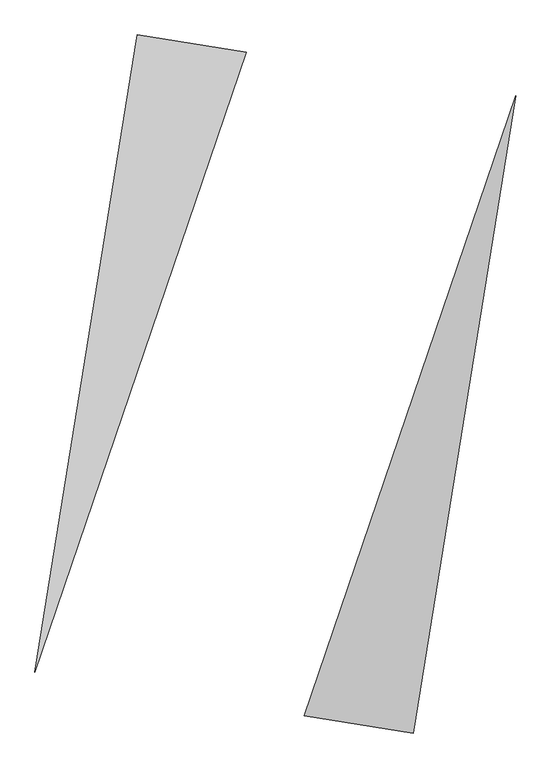
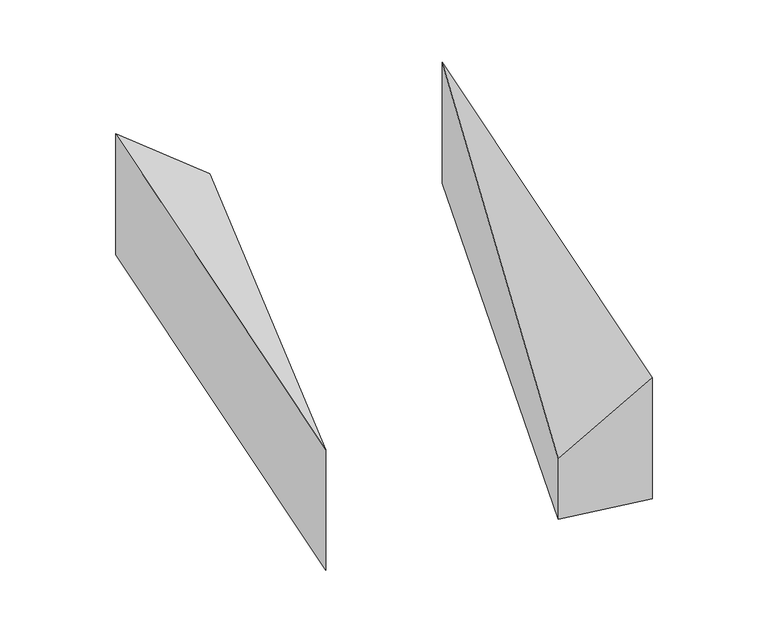
"""IFC4 building model written with IfcOpenShell, lengths in millimetres: proxy geometry."""

import ifcopenshell
import ifcopenshell.guid

model = None  # the IFC model being written
_history = None  # IfcOwnerHistory: only IFC2X3 demands one
_inside = {}  # id of a spatial element -> (the spatial element, [elements in it])
_under = {}  # id of a project, library or spatial element -> (it, [spatial elements below it])
_declared = {}  # id of a project -> (the project, [libraries it declares])
_typed = {}  # id of a type object -> (the type object, [elements of that type])
_made_of = {}  # id of a material, layer set ... -> (it, [elements and type objects made of it])


def new_model(schema):
    """Start an empty IFC model of exactly this schema.

    Asked for "IFC4X3", IfcOpenShell would pick the latest addendum, in which some entities
    have other attributes; the version numbers below select the first issue.
    IFC2X3 requires an IfcOwnerHistory on every rooted entity: one is made here for all.
    """
    global model, _history
    if schema == "IFC4X3":
        model = ifcopenshell.file(schema_version=(4, 3, 0, 0))
    else:
        model = ifcopenshell.file(schema=schema)
    _inside.clear()
    _under.clear()
    _declared.clear()
    _typed.clear()
    _made_of.clear()
    _history = None
    if model.schema == "IFC2X3":
        org = make("IfcOrganization", Name="unknown")
        user = make(
            "IfcPersonAndOrganization",
            ThePerson=make("IfcPerson", FamilyName="unknown"),
            TheOrganization=org,
        )
        app = make(
            "IfcApplication",
            ApplicationDeveloper=org,
            Version="unknown",
            ApplicationFullName="unknown",
            ApplicationIdentifier="unknown",
        )
        _history = make(
            "IfcOwnerHistory",
            OwningUser=user,
            OwningApplication=app,
            ChangeAction="ADDED",
            CreationDate=0,
        )
    return model


def make(cls, **values):
    """One entity of the class cls with the attributes given. An attribute that is None is left unset."""
    return model.create_entity(
        cls, **{name: value for name, value in values.items() if value is not None}
    )


def rooted(cls, **values):
    """An entity with a GlobalId (a new one), such as an element, a storey or a relation."""
    return make(cls, GlobalId=ifcopenshell.guid.new(), OwnerHistory=_history, **values)


def si_unit(unit_type, name, prefix=None):
    """IfcSIUnit, for example si_unit("LENGTHUNIT", "METRE", prefix="MILLI")."""
    return make("IfcSIUnit", UnitType=unit_type, Prefix=prefix, Name=name)


def assignment(units):
    """IfcUnitAssignment: the units of a project."""
    return None if units is None else make("IfcUnitAssignment", Units=units)


def point(xyz):
    """IfcCartesianPoint."""
    return None if xyz is None else make("IfcCartesianPoint", Coordinates=xyz)


def direction(xyz):
    """IfcDirection."""
    return None if xyz is None else make("IfcDirection", DirectionRatios=xyz)


def frame(location, z_axis=None, x_axis=None):
    """IfcAxis2Placement3D, a coordinate frame: its origin and axes. An axis left out is left unset."""
    return make(
        "IfcAxis2Placement3D",
        Location=point(location),
        Axis=direction(z_axis),
        RefDirection=direction(x_axis),
    )


def origin():
    """The frame at (0, 0, 0) with its axes left unset."""
    return frame((0.0, 0.0, 0.0))


def place(relative_to, where):
    """IfcLocalPlacement: puts the frame where relative to a parent placement (None: the world)."""
    return make(
        "IfcLocalPlacement", PlacementRelTo=relative_to, RelativePlacement=where
    )


def context(
    kind, dimensions, precision=None, world=None, true_north=None, identifier=None
):
    """IfcGeometricRepresentationContext, for example the 3D "Model" context."""
    return make(
        "IfcGeometricRepresentationContext",
        ContextIdentifier=identifier,
        ContextType=kind,
        CoordinateSpaceDimension=dimensions,
        Precision=precision,
        WorldCoordinateSystem=world,
        TrueNorth=true_north,
    )


def project(units=None, contexts=None):
    """IfcProject with its units and contexts."""
    return rooted(
        "IfcProject",
        Name="project",
        RepresentationContexts=contexts,
        UnitsInContext=assignment(units),
    )


def spatial(cls, under=None, at=None, **own):
    """A site, building, storey or space (cls), placed at a placement, below another one or the project."""
    s = rooted(cls, ObjectPlacement=at, **own)
    if under is not None:
        _under.setdefault(under.id(), (under, []))[1].append(s)
    return s


def faces_of(points, faces, orient=None, outer=None):
    """IfcFace entities. A face is a list of loops; a loop is a list of indices into points, from 0.

    orient and outer hold one flag for each loop. By default every Orientation is true, the
    first loop of a face is its IfcFaceOuterBound and the others are IfcFaceBound.
    """
    made = []
    for i, loops in enumerate(faces):
        bounds = []
        for j, loop in enumerate(loops):
            is_outer = j == 0 if outer is None else outer[i][j]
            bounds.append(
                make(
                    "IfcFaceOuterBound" if is_outer else "IfcFaceBound",
                    Bound=make("IfcPolyLoop", Polygon=[points[k] for k in loop]),
                    Orientation=True if orient is None else orient[i][j],
                )
            )
        made.append(make("IfcFace", Bounds=bounds))
    return made


def faceted_brep(points, faces, orient=None, outer=None, voids=None):
    """IfcFacetedBrep: a solid bounded by flat faces; with voids (closed shells), ...WithVoids."""
    shared = [point(p) for p in points]
    hull = make("IfcClosedShell", CfsFaces=faces_of(shared, faces, orient, outer))
    if voids is None:
        return make("IfcFacetedBrep", Outer=hull)
    return make(
        "IfcFacetedBrepWithVoids",
        Outer=hull,
        Voids=[
            make(cls, CfsFaces=faces_of(shared, fs, o, b)) for cls, fs, o, b in voids
        ],
    )


def shape(context_of_items, identifier, shape_type, items):
    """IfcShapeRepresentation: the items that make up one representation, for example the "Body"."""
    return make(
        "IfcShapeRepresentation",
        ContextOfItems=context_of_items,
        RepresentationIdentifier=identifier,
        RepresentationType=shape_type,
        Items=items,
    )


def source(mapping_origin, context_of_items, identifier, shape_type, items):
    """IfcRepresentationMap: a shape defined once, which mapped items show again and again."""
    return make(
        "IfcRepresentationMap",
        MappingOrigin=mapping_origin,
        MappedRepresentation=shape(context_of_items, identifier, shape_type, items),
    )


def transform(
    local_origin,
    x_axis=None,
    y_axis=None,
    z_axis=None,
    scale=None,
    scale2=None,
    scale3=None,
    uniform=True,
):
    """IfcCartesianTransformationOperator3D, or its non-uniform kind. x_axis, y_axis, z_axis: its Axis1, 2, 3."""
    if uniform:
        return make(
            "IfcCartesianTransformationOperator3D",
            Axis1=direction(x_axis),
            Axis2=direction(y_axis),
            LocalOrigin=point(local_origin),
            Scale=scale,
            Axis3=direction(z_axis),
        )
    return make(
        "IfcCartesianTransformationOperator3DnonUniform",
        Axis1=direction(x_axis),
        Axis2=direction(y_axis),
        LocalOrigin=point(local_origin),
        Scale=scale,
        Axis3=direction(z_axis),
        Scale2=scale2,
        Scale3=scale3,
    )


def mapped(mapping_source, mapping_target):
    """IfcMappedItem: shows the shape of a source again, moved by a transform."""
    return make(
        "IfcMappedItem", MappingSource=mapping_source, MappingTarget=mapping_target
    )


def made_of(thing, what):
    """Note that an element or type object is made of a material, layer set ...; save() writes the relation."""
    if what is not None:
        _made_of.setdefault(what.id(), (what, []))[1].append(thing)
    return thing


def element(
    cls,
    number,
    at=None,
    inside=None,
    cuts=None,
    type_object=None,
    material=None,
    context=None,
    identifier="Body",
    shape_type=None,
    held_by="IfcProductDefinitionShape",
    body=None,
    shapes=None,
    **own,
):
    """One element of the class cls, such as IfcWall. Its Tag is "e" and its number.

    at: its placement. inside: the storey or other place that contains it. cuts: it is an
    opening in that element (IfcRelVoidsElement). A single representation is given by context,
    identifier, shape_type and body (its items); several are given by shapes. held_by: the class
    of the entity that holds the representations. save() writes the other relations.
    """
    e = rooted(cls, Tag="e%d" % number, ObjectPlacement=at, **own)
    if body is not None:
        shapes = [shape(context, identifier, shape_type, body)]
    if shapes is not None:
        e.Representation = make(held_by, Representations=shapes)
    if inside is not None:
        _inside.setdefault(inside.id(), (inside, []))[1].append(e)
    if cuts is not None:
        rooted(
            "IfcRelVoidsElement", RelatingBuildingElement=cuts, RelatedOpeningElement=e
        )
    if type_object is not None:
        _typed.setdefault(type_object.id(), (type_object, []))[1].append(e)
    return made_of(e, material)


def aggregate(whole, parts):
    """IfcRelAggregates: a whole, such as a stair, and the parts it consists of."""
    return rooted("IfcRelAggregates", RelatingObject=whole, RelatedObjects=parts)


def save(model, path):
    """Write the relations noted so far, then the file.

    IfcRelAggregates (storeys below a building ...), IfcRelContainedInSpatialStructure (elements
    in a storey), IfcRelDefinesByType, IfcRelAssociatesMaterial and IfcRelDeclares: one each for
    every whole, place, type object, material and project.
    """
    for whole, parts in _under.values():
        aggregate(whole, parts)
    for where, things in _inside.values():
        rooted(
            "IfcRelContainedInSpatialStructure",
            RelatedElements=things,
            RelatingStructure=where,
        )
    for kind, things in _typed.values():
        rooted("IfcRelDefinesByType", RelatedObjects=things, RelatingType=kind)
    for what, things in _made_of.values():
        rooted("IfcRelAssociatesMaterial", RelatedObjects=things, RelatingMaterial=what)
    for by, libraries in _declared.values():
        rooted("IfcRelDeclares", RelatingContext=by, RelatedDefinitions=libraries)
    model.write(path)


def generic_models_72ba1f02(model_context):
    return source(origin(), model_context, "Body", "Brep", [
        faceted_brep([(-180.9466343, 2054.5282769, 0.0), (-856.0170022, 2162.7277087, 0.0), (-856.0170022, 2162.7277087, 1000.0), (-180.9466343, 2054.5282769, 500.0), (-1489.0524341, -1786.862921, 0.0), (-1489.0524341, -1786.862921, 1000.0)], [[[0, 1, 2, 3]], [[1, 4, 5, 2]], [[4, 0, 3, 5]], [[3, 2, 5]], [[0, 4, 1]]]),
        faceted_brep([(856.0170022, -2162.7277087, 0.0), (1489.0524341, 1786.862921, 0.0), (1489.0524341, 1786.862921, 1000.0), (856.0170022, -2162.7277087, 1000.0), (180.9466343, -2054.5282769, 0.0), (180.9466343, -2054.5282769, 500.0)], [[[0, 1, 2, 3]], [[1, 4, 5, 2]], [[4, 0, 3, 5]], [[2, 5, 3]], [[0, 4, 1]]]),
    ])


if __name__ == "__main__":
    model = new_model("IFC4")
    model_context = context("Model", 3, world=origin())
    ifc_project = project(units=[si_unit("LENGTHUNIT", "METRE", prefix="MILLI")], contexts=[model_context])
    site = spatial("IfcSite", under=ifc_project)
    building = spatial("IfcBuilding", under=site)
    placement = place(None, origin())
    generic_models_shape = generic_models_72ba1f02(model_context)
    element("IfcBuildingElementProxy", 1, Name="Generic Models", at=placement, inside=building, context=model_context, shape_type="MappedRepresentation", body=[
        mapped(generic_models_shape, transform((0.0, 0.0, 0.0), x_axis=(1.0, 0.0, 0.0), y_axis=(0.0, 1.0, 0.0), z_axis=(0.0, 0.0, 1.0))),
    ])
    save(model, "model.ifc")
